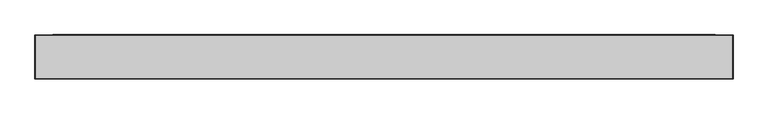
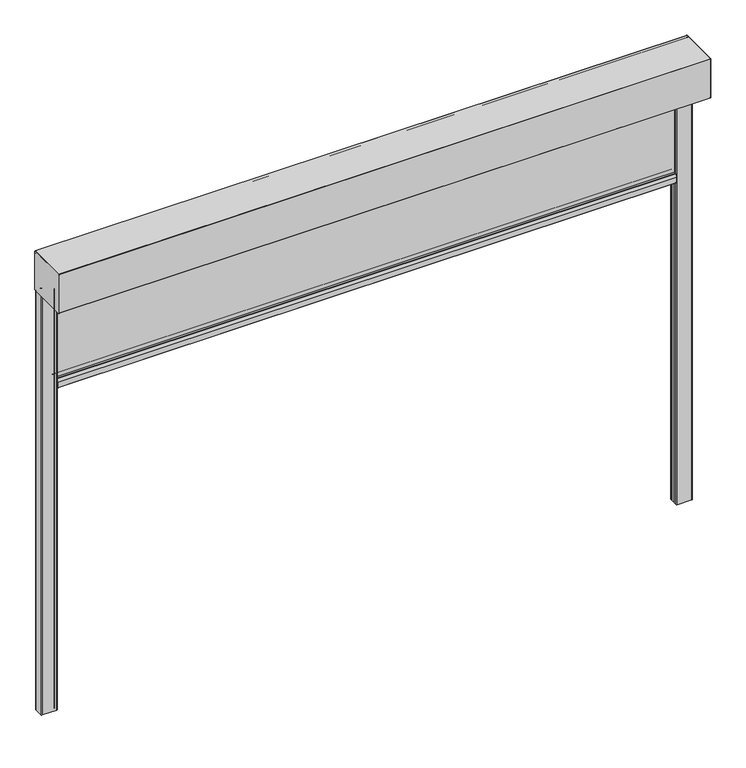
"""IFC4 building model written with IfcOpenShell, lengths in millimetres: alarm geometry."""

from ifc_helpers import new_model, si_unit, point, frame, frame_2d, origin, place, context, project, spatial, polyline, circle_curve, trimmed, segment, composite_curve, outline, extrude, source, transform, mapped, element, save
from ifc_brep_helpers import plane_surface, cylinder_surface, revolved_surface, advanced_brep


def alarm_926f766d(model_context):
    return source(origin(), model_context, "Body", "SolidModel", [
        extrude(outline(composite_curve([segment(polyline([(32.3130377, -455.0), (67.6869623, -455.0)]), True, "CONTINUOUS"), segment(trimmed(circle_curve(frame_2d((67.6869623, -457.0)), 2.0), [point((67.6869623, -455.0))], [point((69.5220736, -456.2047851))], False, "CARTESIAN"), True, "CONTINUOUS"), segment(polyline([(69.5220736, -456.2047851), (75.5, -470.0), (75.5, -498.0)]), True, "CONTINUOUS"), segment(trimmed(circle_curve(frame_2d((73.5, -498.0)), 2.0), [point((75.5, -498.0))], [point((73.5, -500.0))], False, "CARTESIAN"), True, "CONTINUOUS"), segment(polyline([(73.5, -500.0), (26.5, -500.0)]), True, "CONTINUOUS"), segment(trimmed(circle_curve(frame_2d((26.5, -498.0)), 2.0), [point((26.5, -500.0))], [point((24.5, -498.0))], False, "CARTESIAN"), True, "CONTINUOUS"), segment(polyline([(24.5, -498.0), (24.5, -470.0), (30.4779264, -456.2047851)]), True, "CONTINUOUS"), segment(trimmed(circle_curve(frame_2d((32.3130377, -457.0)), 2.0), [point((30.4779264, -456.2047851))], [point((32.3130377, -455.0))], False, "CARTESIAN"), True, "CONTINUOUS")], self_intersect=False)), frame((-1500.0, 0.0, 0.0), z_axis=(1.0, 0.0, 0.0), x_axis=(0.0, 1.0, 0.0)), (0.0, 0.0, 1.0), 3000.0),
        extrude(outline(polyline([(1500.0, 42.5), (-1500.0, 42.5), (-1500.0, 57.5), (1500.0, 57.5), (1500.0, 42.5)])), frame((0.0, 0.0, -455.0), z_axis=(0.0, 0.0, 1.0), x_axis=(1.0, 0.0, 0.0)), (0.0, 0.0, 1.0), 465.0),
        extrude(outline(composite_curve([segment(polyline([(-125.0, 1.0), (-125.0, 199.0)]), True, "CONTINUOUS"), segment(trimmed(circle_curve(frame_2d((-124.0, 199.0)), 1.0), [point((-125.0, 199.0))], [point((-124.0, 200.0))], False, "CARTESIAN"), True, "CONTINUOUS"), segment(polyline([(-124.0, 200.0), (74.0, 200.0)]), True, "CONTINUOUS"), segment(trimmed(circle_curve(frame_2d((74.0, 199.0)), 1.0), [point((74.0, 200.0))], [point((75.0, 199.0))], False, "CARTESIAN"), True, "CONTINUOUS"), segment(polyline([(75.0, 199.0), (75.0, 1.5)]), True, "CONTINUOUS"), segment(trimmed(circle_curve(frame_2d((73.5, 1.5)), 1.5), [point((75.0, 1.5))], [point((73.5, 0.0))], False, "CARTESIAN"), True, "CONTINUOUS"), segment(polyline([(73.5, 0.0), (-124.0, 0.0)]), True, "CONTINUOUS"), segment(trimmed(circle_curve(frame_2d((-124.0, 1.0)), 1.0), [point((-124.0, 0.0))], [point((-125.0, 1.0))], False, "CARTESIAN"), True, "CONTINUOUS")], self_intersect=False)), frame((1580.0, 0.0, 0.0), z_axis=(1.0, 0.0, 0.0), x_axis=(0.0, 1.0, 0.0)), (0.0, 0.0, 1.0), 1.0),
        extrude(outline(composite_curve([segment(polyline([(-125.0, 1.0), (-125.0, 199.0)]), True, "CONTINUOUS"), segment(trimmed(circle_curve(frame_2d((-124.0, 199.0)), 1.0), [point((-125.0, 199.0))], [point((-124.0, 200.0))], False, "CARTESIAN"), True, "CONTINUOUS"), segment(polyline([(-124.0, 200.0), (74.0, 200.0)]), True, "CONTINUOUS"), segment(trimmed(circle_curve(frame_2d((74.0, 199.0)), 1.0), [point((74.0, 200.0))], [point((75.0, 199.0))], False, "CARTESIAN"), True, "CONTINUOUS"), segment(polyline([(75.0, 199.0), (75.0, 1.5)]), True, "CONTINUOUS"), segment(trimmed(circle_curve(frame_2d((73.5, 1.5)), 1.5), [point((75.0, 1.5))], [point((73.5, 0.0))], False, "CARTESIAN"), True, "CONTINUOUS"), segment(polyline([(73.5, 0.0), (-124.0, 0.0)]), True, "CONTINUOUS"), segment(trimmed(circle_curve(frame_2d((-124.0, 1.0)), 1.0), [point((-124.0, 0.0))], [point((-125.0, 1.0))], False, "CARTESIAN"), True, "CONTINUOUS")], self_intersect=False)), frame((-1581.0, 0.0, 0.0), z_axis=(1.0, 0.0, 0.0), x_axis=(0.0, 1.0, 0.0)), (0.0, 0.0, 1.0), 1.0),
        extrude(outline(composite_curve([segment(polyline([(1500.0, 30.0), (1500.0, 41.5)]), True, "CONTINUOUS"), segment(trimmed(circle_curve(frame_2d((1504.0, 41.5)), 4.0), [point((1500.0, 41.5))], [point((1507.7587705, 42.8680806))], False, "CARTESIAN"), True, "CONTINUOUS"), segment(polyline([(1507.7587705, 42.8680806), (1509.313694, 34.049671), (1507.3440785, 33.7023747), (1505.8248093, 42.3185788)]), True, "CONTINUOUS"), segment(trimmed(circle_curve(frame_2d((1504.0, 41.5)), 2.0), [point((1505.8248093, 42.3185788))], [point((1502.0, 41.5))], True, "CARTESIAN"), True, "CONTINUOUS"), segment(polyline([(1502.0, 41.5), (1502.0, 30.0)]), True, "CONTINUOUS"), segment(trimmed(circle_curve(frame_2d((1505.0, 30.0)), 3.0), [point((1502.0, 30.0))], [point((1505.0, 27.0))], True, "CARTESIAN"), True, "CONTINUOUS"), segment(polyline([(1505.0, 27.0), (1575.0, 27.0)]), True, "CONTINUOUS"), segment(trimmed(circle_curve(frame_2d((1575.0, 30.0)), 3.0), [point((1575.0, 27.0))], [point((1578.0, 30.0))], True, "CARTESIAN"), True, "CONTINUOUS"), segment(polyline([(1578.0, 30.0), (1578.0, 70.0)]), True, "CONTINUOUS"), segment(trimmed(circle_curve(frame_2d((1575.0, 70.0)), 3.0), [point((1578.0, 70.0))], [point((1575.0, 73.0))], True, "CARTESIAN"), True, "CONTINUOUS"), segment(polyline([(1575.0, 73.0), (1505.0, 73.0)]), True, "CONTINUOUS"), segment(trimmed(circle_curve(frame_2d((1505.0, 70.0)), 3.0), [point((1505.0, 73.0))], [point((1502.0, 70.0))], True, "CARTESIAN"), True, "CONTINUOUS"), segment(polyline([(1502.0, 70.0), (1502.0, 58.5)]), True, "CONTINUOUS"), segment(trimmed(circle_curve(frame_2d((1504.0, 58.5)), 2.0), [point((1502.0, 58.5))], [point((1505.8248093, 57.6814212))], True, "CARTESIAN"), True, "CONTINUOUS"), segment(polyline([(1505.8248093, 57.6814212), (1507.3440785, 66.2976253), (1509.313694, 65.950329), (1507.7587705, 57.1319194)]), True, "CONTINUOUS"), segment(trimmed(circle_curve(frame_2d((1504.0, 58.5)), 4.0), [point((1507.7587705, 57.1319194))], [point((1500.0, 58.5))], False, "CARTESIAN"), True, "CONTINUOUS"), segment(polyline([(1500.0, 58.5), (1500.0, 70.0)]), True, "CONTINUOUS"), segment(trimmed(circle_curve(frame_2d((1505.0, 70.0)), 5.0), [point((1500.0, 70.0))], [point((1505.0, 75.0))], False, "CARTESIAN"), True, "CONTINUOUS"), segment(polyline([(1505.0, 75.0), (1575.0, 75.0)]), True, "CONTINUOUS"), segment(trimmed(circle_curve(frame_2d((1575.0, 70.0)), 5.0), [point((1575.0, 75.0))], [point((1580.0, 70.0))], False, "CARTESIAN"), True, "CONTINUOUS"), segment(polyline([(1580.0, 70.0), (1580.0, 30.0)]), True, "CONTINUOUS"), segment(trimmed(circle_curve(frame_2d((1575.0, 30.0)), 5.0), [point((1580.0, 30.0))], [point((1575.0, 25.0))], False, "CARTESIAN"), True, "CONTINUOUS"), segment(polyline([(1575.0, 25.0), (1505.0, 25.0)]), True, "CONTINUOUS"), segment(trimmed(circle_curve(frame_2d((1505.0, 30.0)), 5.0), [point((1505.0, 25.0))], [point((1500.0, 30.0))], False, "CARTESIAN"), True, "CONTINUOUS")], self_intersect=False)), frame((0.0, 0.0, -2150.0), z_axis=(0.0, 0.0, 1.0), x_axis=(1.0, 0.0, 0.0)), (0.0, 0.0, 1.0), 2150.0),
        extrude(outline(composite_curve([segment(trimmed(circle_curve(frame_2d((-1505.0, 30.0)), 5.0), [point((-1500.0, 30.0))], [point((-1505.0, 25.0))], False, "CARTESIAN"), True, "CONTINUOUS"), segment(polyline([(-1505.0, 25.0), (-1575.0, 25.0)]), True, "CONTINUOUS"), segment(trimmed(circle_curve(frame_2d((-1575.0, 30.0)), 5.0), [point((-1575.0, 25.0))], [point((-1580.0, 30.0))], False, "CARTESIAN"), True, "CONTINUOUS"), segment(polyline([(-1580.0, 30.0), (-1580.0, 70.0)]), True, "CONTINUOUS"), segment(trimmed(circle_curve(frame_2d((-1575.0, 70.0)), 5.0), [point((-1580.0, 70.0))], [point((-1575.0, 75.0))], False, "CARTESIAN"), True, "CONTINUOUS"), segment(polyline([(-1575.0, 75.0), (-1505.0, 75.0)]), True, "CONTINUOUS"), segment(trimmed(circle_curve(frame_2d((-1505.0, 70.0)), 5.0), [point((-1505.0, 75.0))], [point((-1500.0, 70.0))], False, "CARTESIAN"), True, "CONTINUOUS"), segment(polyline([(-1500.0, 70.0), (-1500.0, 58.5)]), True, "CONTINUOUS"), segment(trimmed(circle_curve(frame_2d((-1504.0, 58.5)), 4.0), [point((-1500.0, 58.5))], [point((-1507.7587705, 57.1319194))], False, "CARTESIAN"), True, "CONTINUOUS"), segment(polyline([(-1507.7587705, 57.1319194), (-1509.313694, 65.950329), (-1507.3440785, 66.2976253), (-1505.8248093, 57.6814212)]), True, "CONTINUOUS"), segment(trimmed(circle_curve(frame_2d((-1504.0, 58.5)), 2.0), [point((-1505.8248093, 57.6814212))], [point((-1502.0, 58.5))], True, "CARTESIAN"), True, "CONTINUOUS"), segment(polyline([(-1502.0, 58.5), (-1502.0, 70.0)]), True, "CONTINUOUS"), segment(trimmed(circle_curve(frame_2d((-1505.0, 70.0)), 3.0), [point((-1502.0, 70.0))], [point((-1505.0, 73.0))], True, "CARTESIAN"), True, "CONTINUOUS"), segment(polyline([(-1505.0, 73.0), (-1575.0, 73.0)]), True, "CONTINUOUS"), segment(trimmed(circle_curve(frame_2d((-1575.0, 70.0)), 3.0), [point((-1575.0, 73.0))], [point((-1578.0, 70.0))], True, "CARTESIAN"), True, "CONTINUOUS"), segment(polyline([(-1578.0, 70.0), (-1578.0, 30.0)]), True, "CONTINUOUS"), segment(trimmed(circle_curve(frame_2d((-1575.0, 30.0)), 3.0), [point((-1578.0, 30.0))], [point((-1575.0, 27.0))], True, "CARTESIAN"), True, "CONTINUOUS"), segment(polyline([(-1575.0, 27.0), (-1505.0, 27.0)]), True, "CONTINUOUS"), segment(trimmed(circle_curve(frame_2d((-1505.0, 30.0)), 3.0), [point((-1505.0, 27.0))], [point((-1502.0, 30.0))], True, "CARTESIAN"), True, "CONTINUOUS"), segment(polyline([(-1502.0, 30.0), (-1502.0, 41.5)]), True, "CONTINUOUS"), segment(trimmed(circle_curve(frame_2d((-1504.0, 41.5)), 2.0), [point((-1502.0, 41.5))], [point((-1505.8248093, 42.3185788))], True, "CARTESIAN"), True, "CONTINUOUS"), segment(polyline([(-1505.8248093, 42.3185788), (-1507.3440785, 33.7023747), (-1509.313694, 34.049671), (-1507.7587705, 42.8680806)]), True, "CONTINUOUS"), segment(trimmed(circle_curve(frame_2d((-1504.0, 41.5)), 4.0), [point((-1507.7587705, 42.8680806))], [point((-1500.0, 41.5))], False, "CARTESIAN"), True, "CONTINUOUS"), segment(polyline([(-1500.0, 41.5), (-1500.0, 30.0)]), True, "CONTINUOUS")], self_intersect=False)), frame((0.0, 0.0, -2150.0), z_axis=(0.0, 0.0, 1.0), x_axis=(1.0, 0.0, 0.0)), (0.0, 0.0, 1.0), 2150.0),
        advanced_brep(
        [(1580.0, 74.0, 200.0), (1580.0, -124.0, 200.0), (1580.0, -125.0, 199.0), (1580.0, -125.0, 1.0), (1580.0, -124.0, 0.0), (1580.0, 16.904949, 0.0), (1580.0, 19.2161509, 1.2344139), (1580.0, 43.6190015, 34.8222745), (1580.0, 42.0009577, 37.99784), (1580.0, 30.5009577, 37.9978045), (1580.0, 30.6317006, 35.0035128), (1580.0, 37.1126506, 35.5705426), (1580.0, 37.0254918, 36.5667371), (1580.0, 30.5445418, 35.9997072), (1580.0, 30.5009608, 36.9978045), (1580.0, 42.0049635, 36.99784), (1580.0, 42.8139885, 35.4100616), (1580.0, 20.7184124, 4.9975685), (1580.0, -118.4990953, 4.9975685), (1580.0, -118.4990953, 190.0001942), (1580.0, -114.4991113, 194.0001783), (1580.0, 64.4999422, 194.0001783), (1580.0, 68.5003406, 189.9997799), (1580.0, 68.5003406, 32.9978598), (1580.0, 71.0003714, 32.9978598), (1580.0, 71.0003714, 19.9978095), (1580.0, 74.0003573, 19.9978095), (1580.0, 74.0003573, 1.3255837), (1580.0, 73.0249422, 1.1710911), (1580.0, 63.1362847, 31.6048165), (1580.0, 62.1852498, 31.2958032), (1580.0, 72.0225757, 1.0199506), (1580.0, 75.0, 1.5), (1580.0, 75.0, 199.0), (-1580.0, 74.0, 200.0), (-1580.0, 75.0, 199.0), (-1580.0, 75.0, 1.5), (-1580.0, 72.0734167, 1.03647), (-1580.0, 62.1852498, 31.2958032), (-1580.0, 63.1362847, 31.6048165), (-1580.0, 73.0249422, 1.1710911), (-1580.0, 74.0003573, 1.3255837), (-1580.0, 74.0003573, 19.9978095), (-1580.0, 71.0003714, 19.9978095), (-1580.0, 71.0003714, 32.9978598), (-1580.0, 68.5003406, 32.9978598), (-1580.0, 68.5003406, 189.9997799), (-1580.0, 64.4999422, 194.0001783), (-1580.0, -114.4991113, 194.0001783), (-1580.0, -118.4990953, 190.0001942), (-1580.0, -118.4990953, 4.9975685), (-1580.0, 20.7184124, 4.9975685), (-1580.0, 42.8139885, 35.4100616), (-1580.0, 42.0049635, 36.99784), (-1580.0, 30.5009608, 36.9978045), (-1580.0, 30.5445418, 35.9997072), (-1580.0, 37.0254918, 36.5667371), (-1580.0, 37.1126506, 35.5705426), (-1580.0, 30.6317006, 35.0035128), (-1580.0, 30.5009577, 37.9978045), (-1580.0, 42.0009577, 37.99784), (-1580.0, 43.6190015, 34.8222745), (-1580.0, 19.2161509, 1.2344139), (-1580.0, 16.904949, 0.0), (-1580.0, -124.0, 0.0), (-1580.0, -125.0, 1.0), (-1580.0, -125.0, 199.0), (-1580.0, -124.0, 200.0)],
        [
            (0, 1),
            (1, 2, circle_curve(frame((1580.0, -124.0, 199.0), z_axis=(1.0, 0.0, 0.0), x_axis=(0.0, 1.0, 0.0)), 1.0)),
            (2, 3),
            (3, 4, circle_curve(frame((1580.0, -124.0, 1.0), z_axis=(1.0, 0.0, 0.0), x_axis=(0.0, 1.0, 0.0)), 1.0)),
            (4, 5),
            (5, 6, circle_curve(frame((1580.0, 16.7890944, 2.9977621), z_axis=(1.0, 0.0, 0.0), x_axis=(0.0, 1.0, 0.0)), 3.0)),
            (6, 7),
            (7, 8, circle_curve(frame((1580.0, 42.0009639, 35.99784), z_axis=(1.0, 0.0, 0.0), x_axis=(0.0, 1.0, 0.0)), 2.0)),
            (8, 9),
            (9, 10, circle_curve(frame((1580.0, 30.5009624, 36.4978045), z_axis=(1.0, 0.0, 0.0), x_axis=(0.0, 1.0, 0.0)), 1.5)),
            (10, 11),
            (11, 12),
            (12, 13),
            (13, 14, circle_curve(frame((1580.0, 30.5009624, 36.4978045), z_axis=(-1.0, 0.0, 0.0), x_axis=(0.0, 1.0, 0.0)), 0.5)),
            (14, 15),
            (15, 16, circle_curve(frame((1580.0, 42.0049665, 35.99784), z_axis=(-1.0, 0.0, 0.0), x_axis=(0.0, 1.0, 0.0)), 1.0)),
            (16, 17),
            (17, 18),
            (18, 19),
            (19, 20, circle_curve(frame((1580.0, -114.4991113, 190.0001942), z_axis=(-1.0, 0.0, 0.0), x_axis=(0.0, 1.0, 0.0)), 3.9999841)),
            (20, 21),
            (21, 22, circle_curve(frame((1580.0, 64.4999422, 189.9997799), z_axis=(-1.0, 0.0, 0.0), x_axis=(0.0, 1.0, 0.0)), 4.0003984)),
            (22, 23),
            (23, 24),
            (24, 25),
            (25, 26),
            (26, 27),
            (27, 28, circle_curve(frame((1580.0, 73.500415, 1.3255837), z_axis=(-1.0, 0.0, 0.0), x_axis=(0.0, 1.0, 0.0)), 0.4999423)),
            (28, 29),
            (29, 30),
            (30, 31),
            (31, 32, circle_curve(frame((1580.0, 73.5, 1.5), z_axis=(1.0, 0.0, 0.0), x_axis=(0.0, 1.0, 0.0)), 1.5)),
            (32, 33),
            (33, 0, circle_curve(frame((1580.0, 74.0, 199.0), z_axis=(1.0, 0.0, 0.0), x_axis=(0.0, 1.0, 0.0)), 1.0)),
            (34, 35, circle_curve(frame((-1580.0, 74.0, 199.0), z_axis=(-1.0, 0.0, 0.0), x_axis=(0.0, 1.0, 0.0)), 1.0)),
            (35, 36),
            (36, 37, circle_curve(frame((-1580.0, 73.5, 1.5), z_axis=(-1.0, 0.0, 0.0), x_axis=(0.0, 1.0, 0.0)), 1.5)),
            (37, 38),
            (38, 39),
            (39, 40),
            (40, 41, circle_curve(frame((-1580.0, 73.500415, 1.3255837), z_axis=(1.0, 0.0, 0.0), x_axis=(0.0, 1.0, 0.0)), 0.4999423)),
            (41, 42),
            (42, 43),
            (43, 44),
            (44, 45),
            (45, 46),
            (46, 47, circle_curve(frame((-1580.0, 64.4999422, 189.9997799), z_axis=(1.0, 0.0, 0.0), x_axis=(0.0, 1.0, 0.0)), 4.0003984)),
            (47, 48),
            (48, 49, circle_curve(frame((-1580.0, -114.4991113, 190.0001942), z_axis=(1.0, 0.0, 0.0), x_axis=(0.0, 1.0, 0.0)), 3.9999841)),
            (49, 50),
            (50, 51),
            (51, 52),
            (52, 53, circle_curve(frame((-1580.0, 42.0049665, 35.99784), z_axis=(1.0, 0.0, 0.0), x_axis=(0.0, 1.0, 0.0)), 1.0)),
            (53, 54),
            (54, 55, circle_curve(frame((-1580.0, 30.5009624, 36.4978045), z_axis=(1.0, 0.0, 0.0), x_axis=(0.0, 1.0, 0.0)), 0.5)),
            (55, 56),
            (56, 57),
            (57, 58),
            (58, 59, circle_curve(frame((-1580.0, 30.5009624, 36.4978045), z_axis=(-1.0, 0.0, 0.0), x_axis=(0.0, 1.0, 0.0)), 1.5)),
            (59, 60),
            (60, 61, circle_curve(frame((-1580.0, 42.0009639, 35.99784), z_axis=(-1.0, 0.0, 0.0), x_axis=(0.0, 1.0, 0.0)), 2.0)),
            (61, 62),
            (62, 63, circle_curve(frame((-1580.0, 16.7890944, 2.9977621), z_axis=(-1.0, 0.0, 0.0), x_axis=(0.0, 1.0, 0.0)), 3.0)),
            (63, 64),
            (64, 65, circle_curve(frame((-1580.0, -124.0, 1.0), z_axis=(-1.0, 0.0, 0.0), x_axis=(0.0, 1.0, 0.0)), 1.0)),
            (65, 66),
            (66, 67, circle_curve(frame((-1580.0, -124.0, 199.0), z_axis=(-1.0, 0.0, 0.0), x_axis=(0.0, 1.0, 0.0)), 1.0)),
            (67, 34),
            (0, 34),
            (67, 1),
            (66, 2),
            (65, 3),
            (64, 4),
            (63, 5),
            (62, 6),
            (61, 7),
            (60, 8),
            (59, 9),
            (58, 10),
            (57, 11),
            (56, 12),
            (55, 13),
            (54, 14),
            (53, 15),
            (52, 16),
            (51, 17),
            (50, 18),
            (49, 19),
            (48, 20),
            (47, 21),
            (46, 22),
            (45, 23),
            (44, 24),
            (43, 25),
            (42, 26),
            (41, 27),
            (40, 28),
            (39, 29),
            (38, 30),
            (37, 31),
            (36, 32),
            (35, 33),
        ],
        [
            plane_surface(frame((1580.0, -124.0, 200.0), z_axis=(1.0, 0.0, 0.0), x_axis=(0.0, -1.0, 0.0))),
            plane_surface(frame((-1580.0, -124.0, 200.0), z_axis=(-1.0, 0.0, 0.0), x_axis=(0.0, 1.0, 0.0))),
            plane_surface(frame((1580.0, 74.0, 200.0), z_axis=(0.0, 0.0, 1.0), x_axis=(-1.0, 0.0, 0.0))),
            cylinder_surface(frame((-1580.0, -124.0, 199.0), z_axis=(1.0, 0.0, 0.0), x_axis=(0.0, 1.0, 0.0)), 1.0),
            plane_surface(frame((1580.0, -125.0, 199.0), z_axis=(0.0, -1.0, 0.0), x_axis=(-1.0, 0.0, 0.0))),
            cylinder_surface(frame((-1580.0, -124.0, 1.0), z_axis=(1.0, 0.0, 0.0), x_axis=(0.0, 1.0, 0.0)), 1.0),
            plane_surface(frame((1580.0, -124.0, 0.0), z_axis=(0.0, 0.0, -1.0), x_axis=(-1.0, 0.0, 0.0))),
            cylinder_surface(frame((-1580.0, 16.7890944, 2.9977621), z_axis=(1.0, 0.0, 0.0), x_axis=(0.0, 1.0, 0.0)), 3.0),
            plane_surface(frame((1580.0, 19.2161509, 1.2344139), z_axis=(0.0, 0.8090188094303566, -0.5877827540749119), x_axis=(-1.0, 0.0, 0.0))),
            cylinder_surface(frame((-1580.0, 42.0009639, 35.99784), z_axis=(1.0, 0.0, 0.0), x_axis=(0.0, 1.0, 0.0)), 2.0),
            plane_surface(frame((1580.0, 42.0009577, 37.99784), z_axis=(0.0, -3.088237830317778e-06, 0.9999999999952314), x_axis=(-1.0, 0.0, 0.0))),
            cylinder_surface(frame((-1580.0, 30.5009624, 36.4978045), z_axis=(1.0, 0.0, 0.0), x_axis=(0.0, 1.0, 0.0)), 1.5),
            plane_surface(frame((1580.0, 30.6317006, 35.0035128), z_axis=(0.0, 0.08715881901511315, -0.9961944289484311), x_axis=(-1.0, 0.0, 0.0))),
            plane_surface(frame((1580.0, 37.1126506, 35.5705426), z_axis=(0.0, 0.9961944289489405, 0.08715881900929093), x_axis=(-1.0, 0.0, 0.0))),
            plane_surface(frame((1580.0, 37.0254918, 36.5667371), z_axis=(0.0, -0.08715881902170787, 0.9961944289478541), x_axis=(-1.0, 0.0, 0.0))),
            revolved_surface(polyline([(-1580.0, 31.0009624, 36.4978045), (1580.0, 31.0009624, 36.4978045)]), (-1580.0, 30.5009624, 36.4978045), (-1.0, 0.0, 0.0)),
            plane_surface(frame((1580.0, 30.5009608, 36.9978045), z_axis=(0.0, 3.087235492413244e-06, -0.9999999999952345), x_axis=(-1.0, 0.0, 0.0))),
            revolved_surface(polyline([(-1580.0, 43.0049665, 35.99784), (1580.0, 43.0049665, 35.99784)]), (-1580.0, 42.0049665, 35.99784), (-1.0, 0.0, 0.0)),
            plane_surface(frame((1580.0, 42.8139885, 35.4100616), z_axis=(0.0, -0.8090219718393253, 0.5877784013394928), x_axis=(-1.0, 0.0, 0.0))),
            plane_surface(frame((1580.0, 20.7184124, 4.9975685), z_axis=(0.0, 0.0, 1.0), x_axis=(-1.0, 0.0, 0.0))),
            plane_surface(frame((1580.0, -118.4990953, 4.9975685), z_axis=(0.0, 1.0, 0.0), x_axis=(-1.0, 0.0, 0.0))),
            revolved_surface(polyline([(-1580.0, -110.49912719999999, 190.0001942), (1580.0, -110.49912719999999, 190.0001942)]), (-1580.0, -114.4991113, 190.0001942), (-1.0, 0.0, 0.0)),
            plane_surface(frame((1580.0, -114.4991113, 194.0001783), z_axis=(0.0, 0.0, -1.0), x_axis=(-1.0, 0.0, 0.0))),
            revolved_surface(polyline([(-1580.0, 68.5003406, 189.9997799), (1580.0, 68.5003406, 189.9997799)]), (-1580.0, 64.4999422, 189.9997799), (-1.0, 0.0, 0.0)),
            plane_surface(frame((1580.0, 68.5003406, 189.9997799), z_axis=(0.0, -1.0, 0.0), x_axis=(-1.0, 0.0, 0.0))),
            plane_surface(frame((1580.0, 68.5003406, 32.9978598), z_axis=(0.0, 0.0, -1.0), x_axis=(-1.0, 0.0, 0.0))),
            plane_surface(frame((1580.0, 71.0003714, 32.9978598), z_axis=(0.0, -1.0, 0.0), x_axis=(-1.0, 0.0, 0.0))),
            plane_surface(frame((1580.0, 71.0003714, 19.9978095), z_axis=(0.0, 0.0, -1.0), x_axis=(-1.0, 0.0, 0.0))),
            plane_surface(frame((1580.0, 74.0003573, 19.9978095), z_axis=(0.0, -1.0, -1.2844647031399892e-12), x_axis=(-1.0, 0.0, 0.0))),
            revolved_surface(polyline([(-1580.0, 74.0003573, 1.3255837), (1580.0, 74.0003573, 1.3255837)]), (-1580.0, 73.500415, 1.3255837), (-1.0, 0.0, 0.0)),
            plane_surface(frame((1580.0, 73.0249422, 1.1710911), z_axis=(0.0, 0.9510552244543146, 0.3090209702239532), x_axis=(-1.0, 0.0, 0.0))),
            plane_surface(frame((1580.0, 63.1362847, 31.6048165), z_axis=(0.0, -0.3090199811024944, 0.9510555458433614), x_axis=(-1.0, 0.0, 0.0))),
            plane_surface(frame((1580.0, 62.1852498, 31.2958032), z_axis=(0.0, -0.9510555458434065, -0.3090199811023557), x_axis=(-1.0, 0.0, 0.0))),
            cylinder_surface(frame((-1580.0, 73.5, 1.5), z_axis=(1.0, 0.0, 0.0), x_axis=(0.0, 1.0, 0.0)), 1.5),
            plane_surface(frame((1580.0, 75.0, 1.5), z_axis=(0.0, 1.0, 0.0), x_axis=(-1.0, 0.0, 0.0))),
            cylinder_surface(frame((-1580.0, 74.0, 199.0), z_axis=(1.0, 0.0, 0.0), x_axis=(0.0, 1.0, 0.0)), 1.0),
        ],
        [
            (0, [[1, 2, 3, 4, 5, 6, 7, 8, 9, 10, 11, 12, 13, 14, 15, 16, 17, 18, 19, 20, 21, 22, 23, 24, 25, 26, 27, 28, 29, 30, 31, 32, 33, 34]]),
            (1, [[35, 36, 37, 38, 39, 40, 41, 42, 43, 44, 45, 46, 47, 48, 49, 50, 51, 52, 53, 54, 55, 56, 57, 58, 59, 60, 61, 62, 63, 64, 65, 66, 67, 68]]),
            (2, [[-1, 69, -68, 70]]),
            (3, [[-2, -70, -67, 71]]),
            (4, [[-3, -71, -66, 72]]),
            (5, [[-4, -72, -65, 73]]),
            (6, [[-5, -73, -64, 74]]),
            (7, [[-6, -74, -63, 75]]),
            (8, [[-7, -75, -62, 76]]),
            (9, [[-8, -76, -61, 77]]),
            (10, [[-9, -77, -60, 78]]),
            (11, [[-10, -78, -59, 79]]),
            (12, [[-11, -79, -58, 80]]),
            (13, [[-12, -80, -57, 81]]),
            (14, [[-13, -81, -56, 82]]),
            (15, [[-14, -82, -55, 83]]),
            (16, [[-15, -83, -54, 84]]),
            (17, [[-16, -84, -53, 85]]),
            (18, [[-17, -85, -52, 86]]),
            (19, [[-18, -86, -51, 87]]),
            (20, [[-19, -87, -50, 88]]),
            (21, [[-20, -88, -49, 89]]),
            (22, [[-21, -89, -48, 90]]),
            (23, [[-22, -90, -47, 91]]),
            (24, [[-23, -91, -46, 92]]),
            (25, [[-24, -92, -45, 93]]),
            (26, [[-25, -93, -44, 94]]),
            (27, [[-26, -94, -43, 95]]),
            (28, [[-27, -95, -42, 96]]),
            (29, [[-28, -96, -41, 97]]),
            (30, [[-29, -97, -40, 98]]),
            (31, [[-30, -98, -39, 99]]),
            (32, [[-31, -99, -38, 100]]),
            (33, [[-32, -100, -37, 101]]),
            (34, [[-33, -101, -36, 102]]),
            (35, [[-34, -102, -35, -69]]),
        ],
    ),
    ])


if __name__ == "__main__":
    model = new_model("IFC4")
    model_context = context("Model", 3, world=origin())
    ifc_project = project(units=[si_unit("LENGTHUNIT", "METRE", prefix="MILLI")], contexts=[model_context])
    site = spatial("IfcSite", under=ifc_project)
    building = spatial("IfcBuilding", under=site)
    placement = place(None, origin())
    alarm_shape = alarm_926f766d(model_context)
    element("IfcAlarm", 1, at=placement, inside=building, context=model_context, shape_type="MappedRepresentation", body=[
        mapped(alarm_shape, transform((0.0, 0.0, 0.0), x_axis=(1.0, 0.0, 0.0), y_axis=(0.0, 1.0, 0.0), z_axis=(0.0, 0.0, 1.0))),
    ])
    save(model, "model.ifc")
